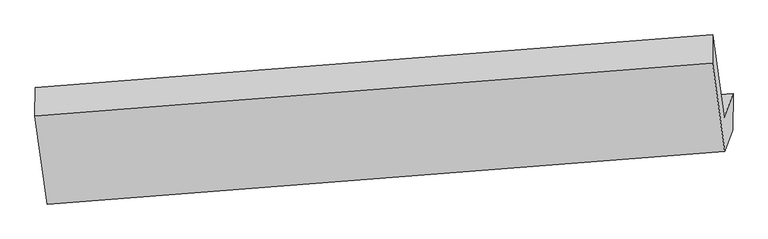
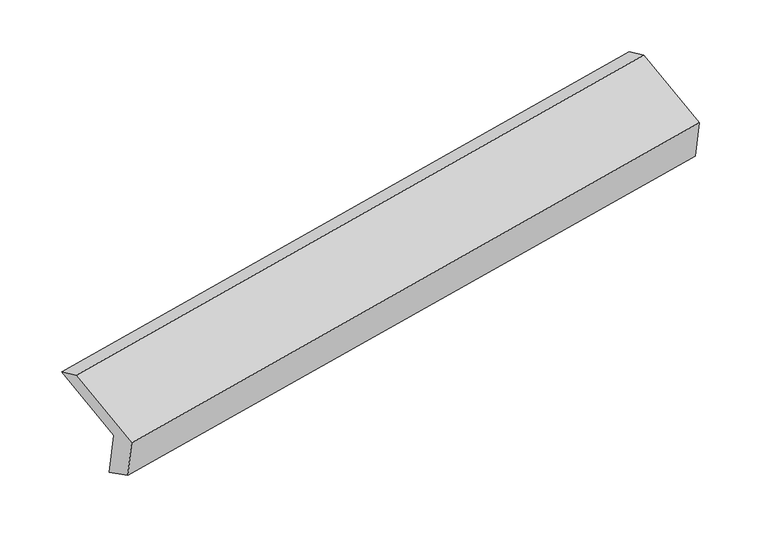
"""IFC4 building model written with IfcOpenShell, lengths in millimetres: proxy geometry."""

from ifc_helpers import new_model, si_unit, frame, origin, place, context, project, spatial, source, transform, mapped, element, save
from ifc_brep_helpers import plane_surface, spline_surface, advanced_brep


def generic_models_7330032e(model_context):
    return source(origin(), model_context, "Body", "AdvancedBrep", [
        advanced_brep(
        [(-5215.7827059, -1820.2577891, 1544.7108281), (-5295.3171933, -1244.4559502, 1753.6194172), (-574.8649745, -878.0501828, 2570.428022), (-495.3304871, -1453.8520217, 2361.5194329), (-5153.2427606, -1653.3191242, 1108.39795), (-433.1371618, -1287.8385938, 1927.6247655), (-5156.4742019, -1913.9292682, 1241.5601341), (-434.5703728, -1543.6486989, 2048.2415107), (-5211.0492166, -2059.6070432, 1622.3052976), (-490.5969978, -1693.2012757, 2439.1139024), (-5296.1586544, -1443.4445149, 1845.8572832), (-575.7064356, -1077.0387474, 2662.665888)],
        [
            (0, 1),
            (1, 2),
            (2, 3),
            (3, 0),
            (4, 0),
            (3, 5),
            (5, 4),
            (6, 4),
            (5, 7),
            (7, 6),
            (8, 6),
            (7, 9),
            (9, 8),
            (10, 8),
            (9, 11),
            (11, 10),
            (1, 10),
            (11, 2),
        ],
        [
            plane_surface(frame((-5255.5499496, -1532.3568697, 1649.1651227), z_axis=(0.13268921311800083, 0.3541889903804265, -0.9257125535582955), x_axis=(-0.12876532921539163, 0.9322158953512496, 0.33822036373719444))),
            plane_surface(frame((-5184.5127332, -1736.7884567, 1326.5543891), z_axis=(-0.13081050600442207, 0.9320591877092377, 0.33786725518413757), x_axis=(-0.13268921311800072, -0.3541889903804257, 0.9257125535582957))),
            spline_surface(1, 1, [[(-5156.4742019, -1913.9292682, 1241.5601341), (-434.5703728, -1543.6486989, 2048.2415107)], [(-5153.2427606, -1653.3191242, 1108.39795), (-433.1371618, -1287.8385938, 1927.6247655)]], [2, 2], [2, 2], [0.0, 1.0], [0.0, 1.0]),
            plane_surface(frame((-5183.7617093, -1986.7681557, 1431.9327158), z_axis=(0.1308105060044219, -0.9320591877092377, -0.3378672551841378), x_axis=(0.13268921311800075, 0.3541889903804259, -0.9257125535582956))),
            plane_surface(frame((-5253.6039355, -1751.525779, 1734.0812904), z_axis=(-0.1326892131180001, -0.35418899038043067, 0.925712553558294), x_axis=(0.12876532921539222, -0.9322158953512479, -0.33822036373719855))),
            plane_surface(frame((-5295.7379238, -1343.9502326, 1799.7383502), z_axis=(-0.1863117307043165, 0.4138346527956147, 0.8910829474002382), x_axis=(-0.0038365339525822588, -0.9072627838358563, 0.4205466942845267))),
            plane_surface(frame((-500.7010716, -1322.2715867, 2334.9322536), z_axis=(0.9827578861114158, 0.07432148779297901, 0.16930225556105127), x_axis=(0.13268921311800075, 0.3541889903804259, -0.9257125535582956))),
            plane_surface(frame((-5221.3374554, -1689.1689483, 1519.408485), z_axis=(-0.9827578861114153, -0.074321487792982, -0.16930225556105352), x_axis=(0.12876532921539158, -0.9322158953512494, -0.3382203637371948))),
        ],
        [
            (0, [[1, 2, 3, 4]]),
            (1, [[5, -4, 6, 7]]),
            (2, [[8, -7, 9, 10]]),
            (3, [[11, -10, 12, 13]]),
            (4, [[14, -13, 15, 16]]),
            (5, [[17, -16, 18, -2]]),
            (6, [[-12, -9, -6, -3, -18, -15]]),
            (7, [[-1, -5, -8, -11, -14, -17]]),
        ],
    ),
    ])


if __name__ == "__main__":
    model = new_model("IFC4")
    model_context = context("Model", 3, world=origin())
    ifc_project = project(units=[si_unit("LENGTHUNIT", "METRE", prefix="MILLI")], contexts=[model_context])
    site = spatial("IfcSite", under=ifc_project)
    building = spatial("IfcBuilding", under=site)
    placement = place(None, origin())
    generic_models_shape = generic_models_7330032e(model_context)
    element("IfcBuildingElementProxy", 1, Name="Generic Models", at=placement, inside=building, context=model_context, shape_type="MappedRepresentation", body=[
        mapped(generic_models_shape, transform((0.0, 0.0, 0.0), x_axis=(1.0, 0.0, 0.0), y_axis=(0.0, 1.0, 0.0), z_axis=(0.0, 0.0, 1.0))),
    ])
    save(model, "model.ifc")
